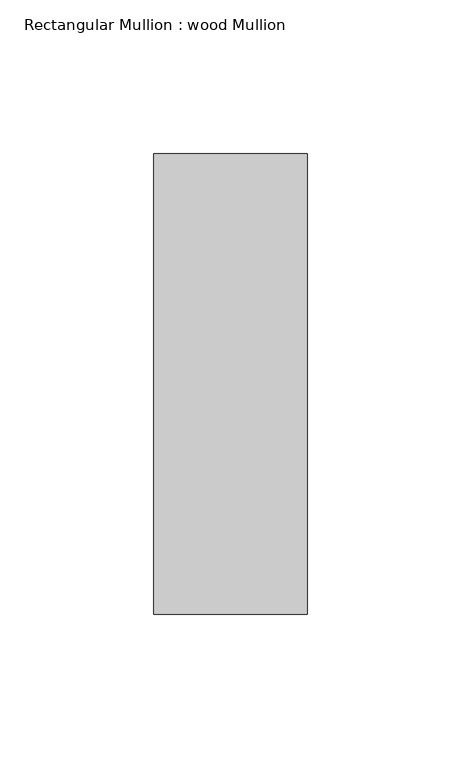
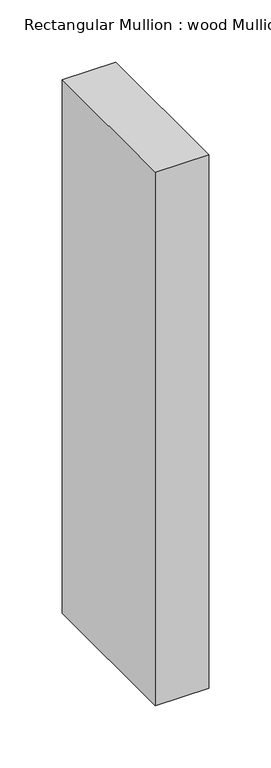
"""IFC4 building model written with IfcOpenShell, lengths in millimetres: member geometry, Rectangular Mullion : wood Mullion."""

import ifcopenshell
import ifcopenshell.guid

model = None  # the IFC model being written
_history = None  # IfcOwnerHistory: only IFC2X3 demands one
_inside = {}  # id of a spatial element -> (the spatial element, [elements in it])
_under = {}  # id of a project, library or spatial element -> (it, [spatial elements below it])
_declared = {}  # id of a project -> (the project, [libraries it declares])
_typed = {}  # id of a type object -> (the type object, [elements of that type])
_made_of = {}  # id of a material, layer set ... -> (it, [elements and type objects made of it])


def new_model(schema):
    """Start an empty IFC model of exactly this schema.

    Asked for "IFC4X3", IfcOpenShell would pick the latest addendum, in which some entities
    have other attributes; the version numbers below select the first issue.
    IFC2X3 requires an IfcOwnerHistory on every rooted entity: one is made here for all.
    """
    global model, _history
    if schema == "IFC4X3":
        model = ifcopenshell.file(schema_version=(4, 3, 0, 0))
    else:
        model = ifcopenshell.file(schema=schema)
    _inside.clear()
    _under.clear()
    _declared.clear()
    _typed.clear()
    _made_of.clear()
    _history = None
    if model.schema == "IFC2X3":
        org = make("IfcOrganization", Name="unknown")
        user = make(
            "IfcPersonAndOrganization",
            ThePerson=make("IfcPerson", FamilyName="unknown"),
            TheOrganization=org,
        )
        app = make(
            "IfcApplication",
            ApplicationDeveloper=org,
            Version="unknown",
            ApplicationFullName="unknown",
            ApplicationIdentifier="unknown",
        )
        _history = make(
            "IfcOwnerHistory",
            OwningUser=user,
            OwningApplication=app,
            ChangeAction="ADDED",
            CreationDate=0,
        )
    return model


def make(cls, **values):
    """One entity of the class cls with the attributes given. An attribute that is None is left unset."""
    return model.create_entity(
        cls, **{name: value for name, value in values.items() if value is not None}
    )


def rooted(cls, **values):
    """An entity with a GlobalId (a new one), such as an element, a storey or a relation."""
    return make(cls, GlobalId=ifcopenshell.guid.new(), OwnerHistory=_history, **values)


def si_unit(unit_type, name, prefix=None):
    """IfcSIUnit, for example si_unit("LENGTHUNIT", "METRE", prefix="MILLI")."""
    return make("IfcSIUnit", UnitType=unit_type, Prefix=prefix, Name=name)


def assignment(units):
    """IfcUnitAssignment: the units of a project."""
    return None if units is None else make("IfcUnitAssignment", Units=units)


def point(xyz):
    """IfcCartesianPoint."""
    return None if xyz is None else make("IfcCartesianPoint", Coordinates=xyz)


def direction(xyz):
    """IfcDirection."""
    return None if xyz is None else make("IfcDirection", DirectionRatios=xyz)


def frame(location, z_axis=None, x_axis=None):
    """IfcAxis2Placement3D, a coordinate frame: its origin and axes. An axis left out is left unset."""
    return make(
        "IfcAxis2Placement3D",
        Location=point(location),
        Axis=direction(z_axis),
        RefDirection=direction(x_axis),
    )


def origin():
    """The frame at (0, 0, 0) with its axes left unset."""
    return frame((0.0, 0.0, 0.0))


def place(relative_to, where):
    """IfcLocalPlacement: puts the frame where relative to a parent placement (None: the world)."""
    return make(
        "IfcLocalPlacement", PlacementRelTo=relative_to, RelativePlacement=where
    )


def context(
    kind, dimensions, precision=None, world=None, true_north=None, identifier=None
):
    """IfcGeometricRepresentationContext, for example the 3D "Model" context."""
    return make(
        "IfcGeometricRepresentationContext",
        ContextIdentifier=identifier,
        ContextType=kind,
        CoordinateSpaceDimension=dimensions,
        Precision=precision,
        WorldCoordinateSystem=world,
        TrueNorth=true_north,
    )


def project(units=None, contexts=None):
    """IfcProject with its units and contexts."""
    return rooted(
        "IfcProject",
        Name="project",
        RepresentationContexts=contexts,
        UnitsInContext=assignment(units),
    )


def spatial(cls, under=None, at=None, **own):
    """A site, building, storey or space (cls), placed at a placement, below another one or the project."""
    s = rooted(cls, ObjectPlacement=at, **own)
    if under is not None:
        _under.setdefault(under.id(), (under, []))[1].append(s)
    return s


def polyline(points):
    """IfcPolyline through the points."""
    return make("IfcPolyline", Points=[point(p) for p in points])


def outline(outer, holes=None, kind="AREA"):
    """IfcArbitraryClosedProfileDef: a profile drawn as a closed curve; with holes, ...WithVoids."""
    if holes is None:
        return make("IfcArbitraryClosedProfileDef", ProfileType=kind, OuterCurve=outer)
    return make(
        "IfcArbitraryProfileDefWithVoids",
        ProfileType=kind,
        OuterCurve=outer,
        InnerCurves=holes,
    )


def extrude(swept, where, along, depth):
    """IfcExtrudedAreaSolid: the profile swept, set in the frame where, extruded along a direction by depth."""
    return make(
        "IfcExtrudedAreaSolid",
        SweptArea=swept,
        Position=where,
        ExtrudedDirection=direction(along),
        Depth=depth,
    )


def shape(context_of_items, identifier, shape_type, items):
    """IfcShapeRepresentation: the items that make up one representation, for example the "Body"."""
    return make(
        "IfcShapeRepresentation",
        ContextOfItems=context_of_items,
        RepresentationIdentifier=identifier,
        RepresentationType=shape_type,
        Items=items,
    )


def source(mapping_origin, context_of_items, identifier, shape_type, items):
    """IfcRepresentationMap: a shape defined once, which mapped items show again and again."""
    return make(
        "IfcRepresentationMap",
        MappingOrigin=mapping_origin,
        MappedRepresentation=shape(context_of_items, identifier, shape_type, items),
    )


def transform(
    local_origin,
    x_axis=None,
    y_axis=None,
    z_axis=None,
    scale=None,
    scale2=None,
    scale3=None,
    uniform=True,
):
    """IfcCartesianTransformationOperator3D, or its non-uniform kind. x_axis, y_axis, z_axis: its Axis1, 2, 3."""
    if uniform:
        return make(
            "IfcCartesianTransformationOperator3D",
            Axis1=direction(x_axis),
            Axis2=direction(y_axis),
            LocalOrigin=point(local_origin),
            Scale=scale,
            Axis3=direction(z_axis),
        )
    return make(
        "IfcCartesianTransformationOperator3DnonUniform",
        Axis1=direction(x_axis),
        Axis2=direction(y_axis),
        LocalOrigin=point(local_origin),
        Scale=scale,
        Axis3=direction(z_axis),
        Scale2=scale2,
        Scale3=scale3,
    )


def mapped(mapping_source, mapping_target):
    """IfcMappedItem: shows the shape of a source again, moved by a transform."""
    return make(
        "IfcMappedItem", MappingSource=mapping_source, MappingTarget=mapping_target
    )


def made_of(thing, what):
    """Note that an element or type object is made of a material, layer set ...; save() writes the relation."""
    if what is not None:
        _made_of.setdefault(what.id(), (what, []))[1].append(thing)
    return thing


def element(
    cls,
    number,
    at=None,
    inside=None,
    cuts=None,
    type_object=None,
    material=None,
    context=None,
    identifier="Body",
    shape_type=None,
    held_by="IfcProductDefinitionShape",
    body=None,
    shapes=None,
    **own,
):
    """One element of the class cls, such as IfcWall. Its Tag is "e" and its number.

    at: its placement. inside: the storey or other place that contains it. cuts: it is an
    opening in that element (IfcRelVoidsElement). A single representation is given by context,
    identifier, shape_type and body (its items); several are given by shapes. held_by: the class
    of the entity that holds the representations. save() writes the other relations.
    """
    e = rooted(cls, Tag="e%d" % number, ObjectPlacement=at, **own)
    if body is not None:
        shapes = [shape(context, identifier, shape_type, body)]
    if shapes is not None:
        e.Representation = make(held_by, Representations=shapes)
    if inside is not None:
        _inside.setdefault(inside.id(), (inside, []))[1].append(e)
    if cuts is not None:
        rooted(
            "IfcRelVoidsElement", RelatingBuildingElement=cuts, RelatedOpeningElement=e
        )
    if type_object is not None:
        _typed.setdefault(type_object.id(), (type_object, []))[1].append(e)
    return made_of(e, material)


def aggregate(whole, parts):
    """IfcRelAggregates: a whole, such as a stair, and the parts it consists of."""
    return rooted("IfcRelAggregates", RelatingObject=whole, RelatedObjects=parts)


def save(model, path):
    """Write the relations noted so far, then the file.

    IfcRelAggregates (storeys below a building ...), IfcRelContainedInSpatialStructure (elements
    in a storey), IfcRelDefinesByType, IfcRelAssociatesMaterial and IfcRelDeclares: one each for
    every whole, place, type object, material and project.
    """
    for whole, parts in _under.values():
        aggregate(whole, parts)
    for where, things in _inside.values():
        rooted(
            "IfcRelContainedInSpatialStructure",
            RelatedElements=things,
            RelatingStructure=where,
        )
    for kind, things in _typed.values():
        rooted("IfcRelDefinesByType", RelatedObjects=things, RelatingType=kind)
    for what, things in _made_of.values():
        rooted("IfcRelAssociatesMaterial", RelatedObjects=things, RelatingMaterial=what)
    for by, libraries in _declared.values():
        rooted("IfcRelDeclares", RelatingContext=by, RelatedDefinitions=libraries)
    model.write(path)


def rectangular_mullion_wood_mullion_035c54ad(model_context):
    return source(origin(), model_context, "Body", "SweptSolid", [
        extrude(outline(polyline([(0.0, 75.0), (0.0, -75.0), (-50.0, -75.0), (-50.0, 75.0), (0.0, 75.0)])), frame((0.0, 0.0, -524.9992591), z_axis=(0.0, 0.0, 1.0), x_axis=(1.0, 0.0, 0.0)), (0.0, 0.0, 1.0), 524.9992591),
    ])


if __name__ == "__main__":
    model = new_model("IFC4")
    model_context = context("Model", 3, world=origin())
    ifc_project = project(units=[si_unit("LENGTHUNIT", "METRE", prefix="MILLI")], contexts=[model_context])
    site = spatial("IfcSite", under=ifc_project)
    building = spatial("IfcBuilding", under=site)
    placement = place(None, origin())
    rectangular_mullion_wood_mullion_shape = rectangular_mullion_wood_mullion_035c54ad(model_context)
    element("IfcMember", 1, ObjectType="Rectangular Mullion : wood Mullion", at=placement, inside=building, context=model_context, shape_type="MappedRepresentation", body=[
        mapped(rectangular_mullion_wood_mullion_shape, transform((0.0, 0.0, 0.0), x_axis=(1.0, 0.0, 0.0), y_axis=(0.0, 1.0, 0.0), z_axis=(0.0, 0.0, 1.0))),
    ])
    save(model, "model.ifc")
